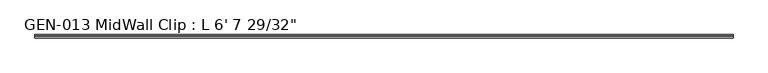
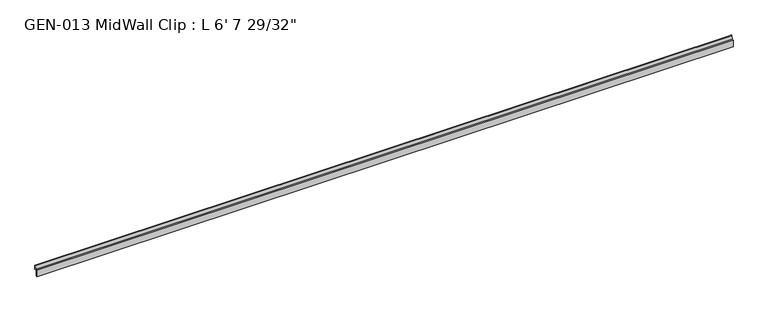
"""IFC4 building model written with IfcOpenShell, lengths in millimetres: proxy geometry."""

import ifcopenshell
import ifcopenshell.guid

model = None  # the IFC model being written
_history = None  # IfcOwnerHistory: only IFC2X3 demands one
_inside = {}  # id of a spatial element -> (the spatial element, [elements in it])
_under = {}  # id of a project, library or spatial element -> (it, [spatial elements below it])
_declared = {}  # id of a project -> (the project, [libraries it declares])
_typed = {}  # id of a type object -> (the type object, [elements of that type])
_made_of = {}  # id of a material, layer set ... -> (it, [elements and type objects made of it])


def new_model(schema):
    """Start an empty IFC model of exactly this schema.

    Asked for "IFC4X3", IfcOpenShell would pick the latest addendum, in which some entities
    have other attributes; the version numbers below select the first issue.
    IFC2X3 requires an IfcOwnerHistory on every rooted entity: one is made here for all.
    """
    global model, _history
    if schema == "IFC4X3":
        model = ifcopenshell.file(schema_version=(4, 3, 0, 0))
    else:
        model = ifcopenshell.file(schema=schema)
    _inside.clear()
    _under.clear()
    _declared.clear()
    _typed.clear()
    _made_of.clear()
    _history = None
    if model.schema == "IFC2X3":
        org = make("IfcOrganization", Name="unknown")
        user = make(
            "IfcPersonAndOrganization",
            ThePerson=make("IfcPerson", FamilyName="unknown"),
            TheOrganization=org,
        )
        app = make(
            "IfcApplication",
            ApplicationDeveloper=org,
            Version="unknown",
            ApplicationFullName="unknown",
            ApplicationIdentifier="unknown",
        )
        _history = make(
            "IfcOwnerHistory",
            OwningUser=user,
            OwningApplication=app,
            ChangeAction="ADDED",
            CreationDate=0,
        )
    return model


def make(cls, **values):
    """One entity of the class cls with the attributes given. An attribute that is None is left unset."""
    return model.create_entity(
        cls, **{name: value for name, value in values.items() if value is not None}
    )


def rooted(cls, **values):
    """An entity with a GlobalId (a new one), such as an element, a storey or a relation."""
    return make(cls, GlobalId=ifcopenshell.guid.new(), OwnerHistory=_history, **values)


def si_unit(unit_type, name, prefix=None):
    """IfcSIUnit, for example si_unit("LENGTHUNIT", "METRE", prefix="MILLI")."""
    return make("IfcSIUnit", UnitType=unit_type, Prefix=prefix, Name=name)


def assignment(units):
    """IfcUnitAssignment: the units of a project."""
    return None if units is None else make("IfcUnitAssignment", Units=units)


def point(xyz):
    """IfcCartesianPoint."""
    return None if xyz is None else make("IfcCartesianPoint", Coordinates=xyz)


def direction(xyz):
    """IfcDirection."""
    return None if xyz is None else make("IfcDirection", DirectionRatios=xyz)


def frame(location, z_axis=None, x_axis=None):
    """IfcAxis2Placement3D, a coordinate frame: its origin and axes. An axis left out is left unset."""
    return make(
        "IfcAxis2Placement3D",
        Location=point(location),
        Axis=direction(z_axis),
        RefDirection=direction(x_axis),
    )


def frame_2d(location, x_axis=None):
    """IfcAxis2Placement2D, a coordinate frame in the plane: its origin and x axis."""
    return make(
        "IfcAxis2Placement2D", Location=point(location), RefDirection=direction(x_axis)
    )


def origin():
    """The frame at (0, 0, 0) with its axes left unset."""
    return frame((0.0, 0.0, 0.0))


def place(relative_to, where):
    """IfcLocalPlacement: puts the frame where relative to a parent placement (None: the world)."""
    return make(
        "IfcLocalPlacement", PlacementRelTo=relative_to, RelativePlacement=where
    )


def context(
    kind, dimensions, precision=None, world=None, true_north=None, identifier=None
):
    """IfcGeometricRepresentationContext, for example the 3D "Model" context."""
    return make(
        "IfcGeometricRepresentationContext",
        ContextIdentifier=identifier,
        ContextType=kind,
        CoordinateSpaceDimension=dimensions,
        Precision=precision,
        WorldCoordinateSystem=world,
        TrueNorth=true_north,
    )


def project(units=None, contexts=None):
    """IfcProject with its units and contexts."""
    return rooted(
        "IfcProject",
        Name="project",
        RepresentationContexts=contexts,
        UnitsInContext=assignment(units),
    )


def spatial(cls, under=None, at=None, **own):
    """A site, building, storey or space (cls), placed at a placement, below another one or the project."""
    s = rooted(cls, ObjectPlacement=at, **own)
    if under is not None:
        _under.setdefault(under.id(), (under, []))[1].append(s)
    return s


def polyline(points):
    """IfcPolyline through the points."""
    return make("IfcPolyline", Points=[point(p) for p in points])


def circle_curve(where, radius):
    """IfcCircle in the frame where."""
    return make("IfcCircle", Position=where, Radius=radius)


def trimmed(basis, trim1, trim2, sense, master):
    """IfcTrimmedCurve: the piece of a basis curve between two trims."""
    return make(
        "IfcTrimmedCurve",
        BasisCurve=basis,
        Trim1=trim1,
        Trim2=trim2,
        SenseAgreement=sense,
        MasterRepresentation=master,
    )


def segment(curve, same_sense, transition):
    """IfcCompositeCurveSegment."""
    return make(
        "IfcCompositeCurveSegment",
        Transition=transition,
        SameSense=same_sense,
        ParentCurve=curve,
    )


def composite_curve(segments, self_intersect=None):
    """IfcCompositeCurve: segments joined end to end."""
    return make("IfcCompositeCurve", Segments=segments, SelfIntersect=self_intersect)


def outline(outer, holes=None, kind="AREA"):
    """IfcArbitraryClosedProfileDef: a profile drawn as a closed curve; with holes, ...WithVoids."""
    if holes is None:
        return make("IfcArbitraryClosedProfileDef", ProfileType=kind, OuterCurve=outer)
    return make(
        "IfcArbitraryProfileDefWithVoids",
        ProfileType=kind,
        OuterCurve=outer,
        InnerCurves=holes,
    )


def extrude(swept, where, along, depth):
    """IfcExtrudedAreaSolid: the profile swept, set in the frame where, extruded along a direction by depth."""
    return make(
        "IfcExtrudedAreaSolid",
        SweptArea=swept,
        Position=where,
        ExtrudedDirection=direction(along),
        Depth=depth,
    )


def shape(context_of_items, identifier, shape_type, items):
    """IfcShapeRepresentation: the items that make up one representation, for example the "Body"."""
    return make(
        "IfcShapeRepresentation",
        ContextOfItems=context_of_items,
        RepresentationIdentifier=identifier,
        RepresentationType=shape_type,
        Items=items,
    )


def source(mapping_origin, context_of_items, identifier, shape_type, items):
    """IfcRepresentationMap: a shape defined once, which mapped items show again and again."""
    return make(
        "IfcRepresentationMap",
        MappingOrigin=mapping_origin,
        MappedRepresentation=shape(context_of_items, identifier, shape_type, items),
    )


def transform(
    local_origin,
    x_axis=None,
    y_axis=None,
    z_axis=None,
    scale=None,
    scale2=None,
    scale3=None,
    uniform=True,
):
    """IfcCartesianTransformationOperator3D, or its non-uniform kind. x_axis, y_axis, z_axis: its Axis1, 2, 3."""
    if uniform:
        return make(
            "IfcCartesianTransformationOperator3D",
            Axis1=direction(x_axis),
            Axis2=direction(y_axis),
            LocalOrigin=point(local_origin),
            Scale=scale,
            Axis3=direction(z_axis),
        )
    return make(
        "IfcCartesianTransformationOperator3DnonUniform",
        Axis1=direction(x_axis),
        Axis2=direction(y_axis),
        LocalOrigin=point(local_origin),
        Scale=scale,
        Axis3=direction(z_axis),
        Scale2=scale2,
        Scale3=scale3,
    )


def mapped(mapping_source, mapping_target):
    """IfcMappedItem: shows the shape of a source again, moved by a transform."""
    return make(
        "IfcMappedItem", MappingSource=mapping_source, MappingTarget=mapping_target
    )


def made_of(thing, what):
    """Note that an element or type object is made of a material, layer set ...; save() writes the relation."""
    if what is not None:
        _made_of.setdefault(what.id(), (what, []))[1].append(thing)
    return thing


def element(
    cls,
    number,
    at=None,
    inside=None,
    cuts=None,
    type_object=None,
    material=None,
    context=None,
    identifier="Body",
    shape_type=None,
    held_by="IfcProductDefinitionShape",
    body=None,
    shapes=None,
    **own,
):
    """One element of the class cls, such as IfcWall. Its Tag is "e" and its number.

    at: its placement. inside: the storey or other place that contains it. cuts: it is an
    opening in that element (IfcRelVoidsElement). A single representation is given by context,
    identifier, shape_type and body (its items); several are given by shapes. held_by: the class
    of the entity that holds the representations. save() writes the other relations.
    """
    e = rooted(cls, Tag="e%d" % number, ObjectPlacement=at, **own)
    if body is not None:
        shapes = [shape(context, identifier, shape_type, body)]
    if shapes is not None:
        e.Representation = make(held_by, Representations=shapes)
    if inside is not None:
        _inside.setdefault(inside.id(), (inside, []))[1].append(e)
    if cuts is not None:
        rooted(
            "IfcRelVoidsElement", RelatingBuildingElement=cuts, RelatedOpeningElement=e
        )
    if type_object is not None:
        _typed.setdefault(type_object.id(), (type_object, []))[1].append(e)
    return made_of(e, material)


def aggregate(whole, parts):
    """IfcRelAggregates: a whole, such as a stair, and the parts it consists of."""
    return rooted("IfcRelAggregates", RelatingObject=whole, RelatedObjects=parts)


def save(model, path):
    """Write the relations noted so far, then the file.

    IfcRelAggregates (storeys below a building ...), IfcRelContainedInSpatialStructure (elements
    in a storey), IfcRelDefinesByType, IfcRelAssociatesMaterial and IfcRelDeclares: one each for
    every whole, place, type object, material and project.
    """
    for whole, parts in _under.values():
        aggregate(whole, parts)
    for where, things in _inside.values():
        rooted(
            "IfcRelContainedInSpatialStructure",
            RelatedElements=things,
            RelatingStructure=where,
        )
    for kind, things in _typed.values():
        rooted("IfcRelDefinesByType", RelatedObjects=things, RelatingType=kind)
    for what, things in _made_of.values():
        rooted("IfcRelAssociatesMaterial", RelatedObjects=things, RelatingMaterial=what)
    for by, libraries in _declared.values():
        rooted("IfcRelDeclares", RelatingContext=by, RelatedDefinitions=libraries)
    model.write(path)


def proxy_d31e8fa2(model_context):
    return source(origin(), model_context, "Body", "SweptSolid", [
        extrude(outline(composite_curve([segment(polyline([(-3.1877, 1.1238237), (-3.1877, -13.4811763), (-1.6129, -13.4811763), (-1.6129, -15.0559763), (-4.7625, -15.0559763), (-4.7625, 3.9686237), (0.630157, 3.9686237), (2.4411308, 14.5447106)]), True, "CONTINUOUS"), segment(trimmed(circle_curve(frame_2d((3.5698235, 13.3878692)), 1.6162393), [point((2.4411308, 14.5447106))], [point((4.7625, 14.4786268))], False, "CARTESIAN"), True, "CONTINUOUS"), segment(polyline([(4.7625, 14.4786268), (4.7625, 2.3938237), (-1.9177, 2.3938237)]), True, "CONTINUOUS"), segment(trimmed(circle_curve(frame_2d((-1.9177, 1.1238237)), 1.27), [point((-1.9177, 2.3938237))], [point((-3.1877, 1.1238237))], True, "CARTESIAN"), True, "CONTINUOUS")], self_intersect=False)), frame((0.0, 0.0, 0.0), z_axis=(1.0, 0.0, 0.0), x_axis=(0.0, 1.0, 0.0)), (0.0, 0.0, 1.0), 2029.61875),
    ])


if __name__ == "__main__":
    model = new_model("IFC4")
    model_context = context("Model", 3, world=origin())
    ifc_project = project(units=[si_unit("LENGTHUNIT", "METRE", prefix="MILLI")], contexts=[model_context])
    site = spatial("IfcSite", under=ifc_project)
    building = spatial("IfcBuilding", under=site)
    placement = place(None, origin())
    proxy_shape = proxy_d31e8fa2(model_context)
    element("IfcBuildingElementProxy", 1, Name="GEN-013 MidWall Clip : L 6' 7 29/32\"", ObjectType="GEN-013 MidWall Clip : L 6' 7 29/32\"", at=placement, inside=building, context=model_context, shape_type="MappedRepresentation", body=[
        mapped(proxy_shape, transform((0.0, 0.0, 0.0), x_axis=(1.0, 0.0, 0.0), y_axis=(0.0, 1.0, 0.0), z_axis=(0.0, 0.0, 1.0))),
    ])
    save(model, "model.ifc")
